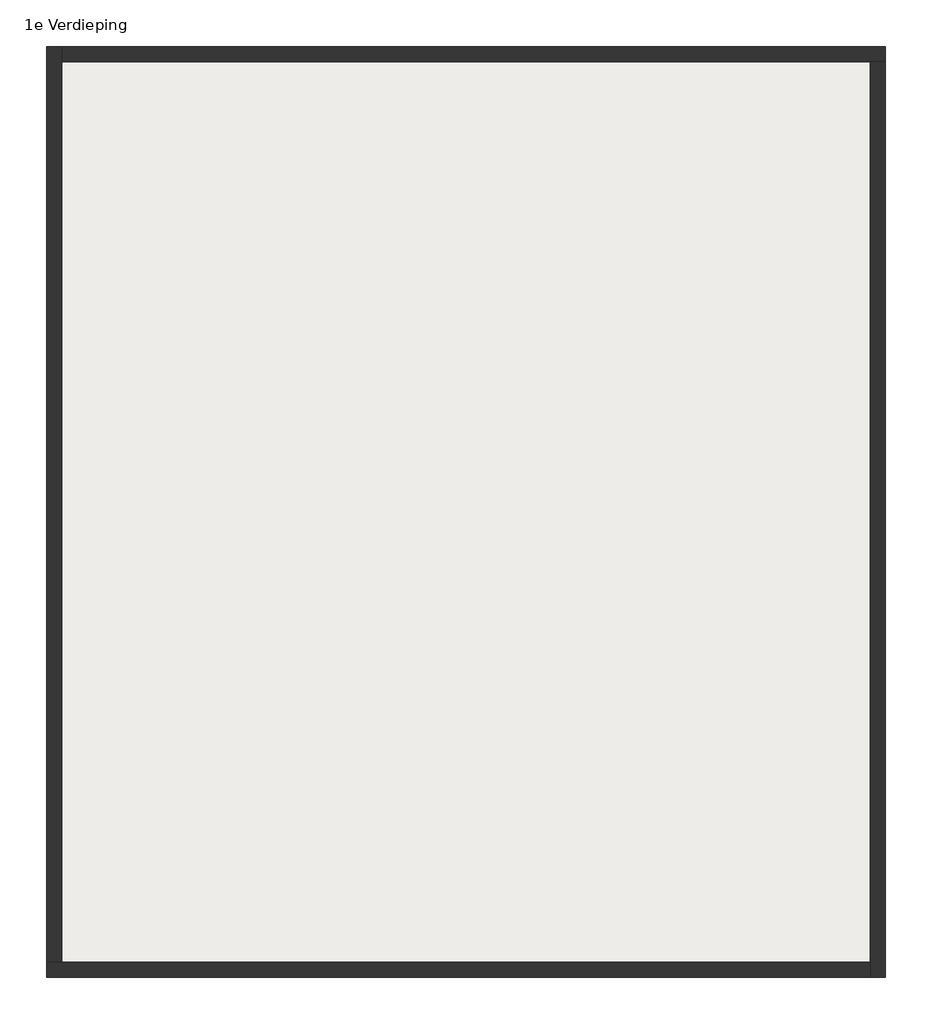
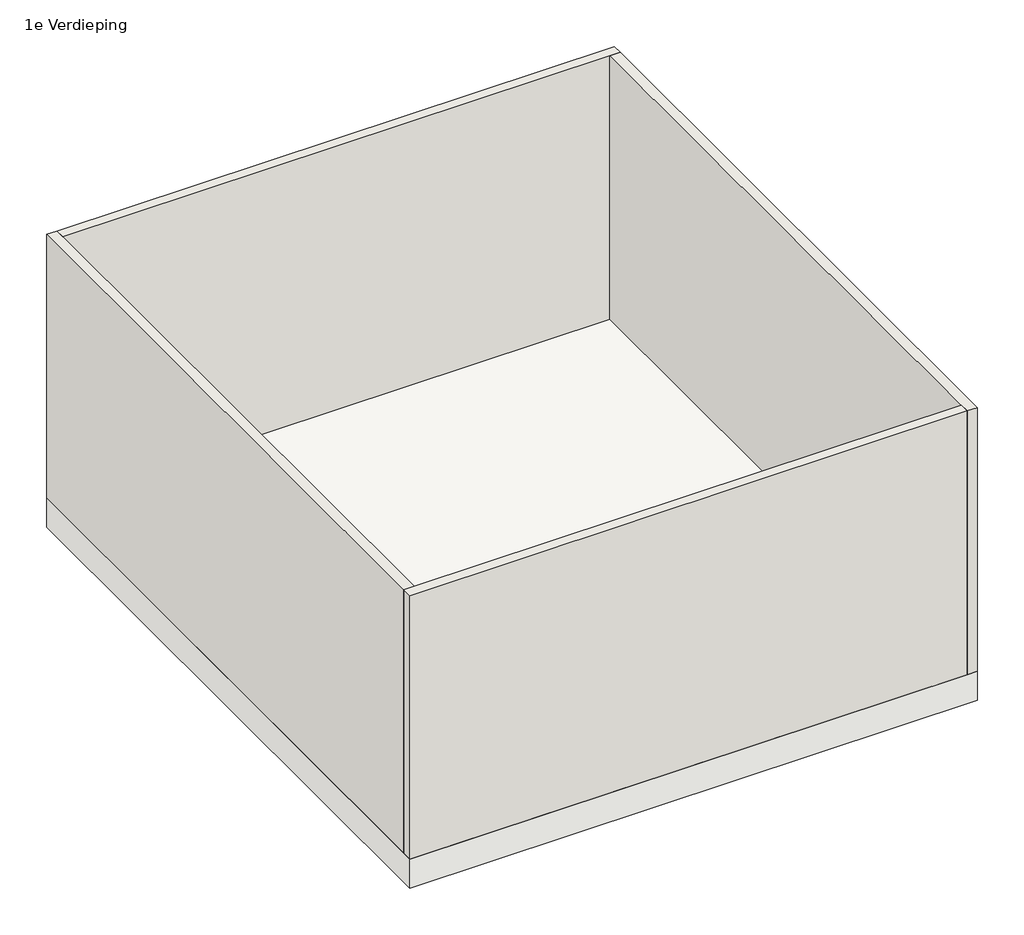
# One storey: 4 walls, 1 slab.
"""IFC4 building model written with IfcOpenShell, lengths in millimetres."""

import ifcopenshell
import ifcopenshell.guid

model = None  # the IFC model being written
_history = None  # IfcOwnerHistory: only IFC2X3 demands one
_inside = {}  # id of a spatial element -> (the spatial element, [elements in it])
_under = {}  # id of a project, library or spatial element -> (it, [spatial elements below it])
_declared = {}  # id of a project -> (the project, [libraries it declares])
_typed = {}  # id of a type object -> (the type object, [elements of that type])
_made_of = {}  # id of a material, layer set ... -> (it, [elements and type objects made of it])


def new_model(schema):
    """Start an empty IFC model of exactly this schema.

    Asked for "IFC4X3", IfcOpenShell would pick the latest addendum, in which some entities
    have other attributes; the version numbers below select the first issue.
    IFC2X3 requires an IfcOwnerHistory on every rooted entity: one is made here for all.
    """
    global model, _history
    if schema == "IFC4X3":
        model = ifcopenshell.file(schema_version=(4, 3, 0, 0))
    else:
        model = ifcopenshell.file(schema=schema)
    _inside.clear()
    _under.clear()
    _declared.clear()
    _typed.clear()
    _made_of.clear()
    _history = None
    if model.schema == "IFC2X3":
        org = make("IfcOrganization", Name="unknown")
        user = make(
            "IfcPersonAndOrganization",
            ThePerson=make("IfcPerson", FamilyName="unknown"),
            TheOrganization=org,
        )
        app = make(
            "IfcApplication",
            ApplicationDeveloper=org,
            Version="unknown",
            ApplicationFullName="unknown",
            ApplicationIdentifier="unknown",
        )
        _history = make(
            "IfcOwnerHistory",
            OwningUser=user,
            OwningApplication=app,
            ChangeAction="ADDED",
            CreationDate=0,
        )
    return model


def make(cls, **values):
    """One entity of the class cls with the attributes given. An attribute that is None is left unset."""
    return model.create_entity(
        cls, **{name: value for name, value in values.items() if value is not None}
    )


def rooted(cls, **values):
    """An entity with a GlobalId (a new one), such as an element, a storey or a relation."""
    return make(cls, GlobalId=ifcopenshell.guid.new(), OwnerHistory=_history, **values)


def si_unit(unit_type, name, prefix=None):
    """IfcSIUnit, for example si_unit("LENGTHUNIT", "METRE", prefix="MILLI")."""
    return make("IfcSIUnit", UnitType=unit_type, Prefix=prefix, Name=name)


def assignment(units):
    """IfcUnitAssignment: the units of a project."""
    return None if units is None else make("IfcUnitAssignment", Units=units)


def point(xyz):
    """IfcCartesianPoint."""
    return None if xyz is None else make("IfcCartesianPoint", Coordinates=xyz)


def direction(xyz):
    """IfcDirection."""
    return None if xyz is None else make("IfcDirection", DirectionRatios=xyz)


def frame(location, z_axis=None, x_axis=None):
    """IfcAxis2Placement3D, a coordinate frame: its origin and axes. An axis left out is left unset."""
    return make(
        "IfcAxis2Placement3D",
        Location=point(location),
        Axis=direction(z_axis),
        RefDirection=direction(x_axis),
    )


def origin():
    """The frame at (0, 0, 0) with its axes left unset."""
    return frame((0.0, 0.0, 0.0))


def place(relative_to, where):
    """IfcLocalPlacement: puts the frame where relative to a parent placement (None: the world)."""
    return make(
        "IfcLocalPlacement", PlacementRelTo=relative_to, RelativePlacement=where
    )


def context(
    kind, dimensions, precision=None, world=None, true_north=None, identifier=None
):
    """IfcGeometricRepresentationContext, for example the 3D "Model" context."""
    return make(
        "IfcGeometricRepresentationContext",
        ContextIdentifier=identifier,
        ContextType=kind,
        CoordinateSpaceDimension=dimensions,
        Precision=precision,
        WorldCoordinateSystem=world,
        TrueNorth=true_north,
    )


def project(units=None, contexts=None):
    """IfcProject with its units and contexts."""
    return rooted(
        "IfcProject",
        Name="project",
        RepresentationContexts=contexts,
        UnitsInContext=assignment(units),
    )


def spatial(cls, under=None, at=None, **own):
    """A site, building, storey or space (cls), placed at a placement, below another one or the project."""
    s = rooted(cls, ObjectPlacement=at, **own)
    if under is not None:
        _under.setdefault(under.id(), (under, []))[1].append(s)
    return s


def polyline(points):
    """IfcPolyline through the points."""
    return make("IfcPolyline", Points=[point(p) for p in points])


def outline(outer, holes=None, kind="AREA"):
    """IfcArbitraryClosedProfileDef: a profile drawn as a closed curve; with holes, ...WithVoids."""
    if holes is None:
        return make("IfcArbitraryClosedProfileDef", ProfileType=kind, OuterCurve=outer)
    return make(
        "IfcArbitraryProfileDefWithVoids",
        ProfileType=kind,
        OuterCurve=outer,
        InnerCurves=holes,
    )


def extrude(swept, where, along, depth):
    """IfcExtrudedAreaSolid: the profile swept, set in the frame where, extruded along a direction by depth."""
    return make(
        "IfcExtrudedAreaSolid",
        SweptArea=swept,
        Position=where,
        ExtrudedDirection=direction(along),
        Depth=depth,
    )


def faces_of(points, faces, orient=None, outer=None):
    """IfcFace entities. A face is a list of loops; a loop is a list of indices into points, from 0.

    orient and outer hold one flag for each loop. By default every Orientation is true, the
    first loop of a face is its IfcFaceOuterBound and the others are IfcFaceBound.
    """
    made = []
    for i, loops in enumerate(faces):
        bounds = []
        for j, loop in enumerate(loops):
            is_outer = j == 0 if outer is None else outer[i][j]
            bounds.append(
                make(
                    "IfcFaceOuterBound" if is_outer else "IfcFaceBound",
                    Bound=make("IfcPolyLoop", Polygon=[points[k] for k in loop]),
                    Orientation=True if orient is None else orient[i][j],
                )
            )
        made.append(make("IfcFace", Bounds=bounds))
    return made


def faceted_brep(points, faces, orient=None, outer=None, voids=None):
    """IfcFacetedBrep: a solid bounded by flat faces; with voids (closed shells), ...WithVoids."""
    shared = [point(p) for p in points]
    hull = make("IfcClosedShell", CfsFaces=faces_of(shared, faces, orient, outer))
    if voids is None:
        return make("IfcFacetedBrep", Outer=hull)
    return make(
        "IfcFacetedBrepWithVoids",
        Outer=hull,
        Voids=[
            make(cls, CfsFaces=faces_of(shared, fs, o, b)) for cls, fs, o, b in voids
        ],
    )


def shape(context_of_items, identifier, shape_type, items):
    """IfcShapeRepresentation: the items that make up one representation, for example the "Body"."""
    return make(
        "IfcShapeRepresentation",
        ContextOfItems=context_of_items,
        RepresentationIdentifier=identifier,
        RepresentationType=shape_type,
        Items=items,
    )


def made_of(thing, what):
    """Note that an element or type object is made of a material, layer set ...; save() writes the relation."""
    if what is not None:
        _made_of.setdefault(what.id(), (what, []))[1].append(thing)
    return thing


def element(
    cls,
    number,
    at=None,
    inside=None,
    cuts=None,
    type_object=None,
    material=None,
    context=None,
    identifier="Body",
    shape_type=None,
    held_by="IfcProductDefinitionShape",
    body=None,
    shapes=None,
    **own,
):
    """One element of the class cls, such as IfcWall. Its Tag is "e" and its number.

    at: its placement. inside: the storey or other place that contains it. cuts: it is an
    opening in that element (IfcRelVoidsElement). A single representation is given by context,
    identifier, shape_type and body (its items); several are given by shapes. held_by: the class
    of the entity that holds the representations. save() writes the other relations.
    """
    e = rooted(cls, Tag="e%d" % number, ObjectPlacement=at, **own)
    if body is not None:
        shapes = [shape(context, identifier, shape_type, body)]
    if shapes is not None:
        e.Representation = make(held_by, Representations=shapes)
    if inside is not None:
        _inside.setdefault(inside.id(), (inside, []))[1].append(e)
    if cuts is not None:
        rooted(
            "IfcRelVoidsElement", RelatingBuildingElement=cuts, RelatedOpeningElement=e
        )
    if type_object is not None:
        _typed.setdefault(type_object.id(), (type_object, []))[1].append(e)
    return made_of(e, material)


def aggregate(whole, parts):
    """IfcRelAggregates: a whole, such as a stair, and the parts it consists of."""
    return rooted("IfcRelAggregates", RelatingObject=whole, RelatedObjects=parts)


def save(model, path):
    """Write the relations noted so far, then the file.

    IfcRelAggregates (storeys below a building ...), IfcRelContainedInSpatialStructure (elements
    in a storey), IfcRelDefinesByType, IfcRelAssociatesMaterial and IfcRelDeclares: one each for
    every whole, place, type object, material and project.
    """
    for whole, parts in _under.values():
        aggregate(whole, parts)
    for where, things in _inside.values():
        rooted(
            "IfcRelContainedInSpatialStructure",
            RelatedElements=things,
            RelatingStructure=where,
        )
    for kind, things in _typed.values():
        rooted("IfcRelDefinesByType", RelatedObjects=things, RelatingType=kind)
    for what, things in _made_of.values():
        rooted("IfcRelAssociatesMaterial", RelatedObjects=things, RelatingMaterial=what)
    for by, libraries in _declared.values():
        rooted("IfcRelDeclares", RelatingContext=by, RelatedDefinitions=libraries)
    model.write(path)


model = new_model("IFC4")

# Units and contexts
model_context = context("Model", 3, world=origin())
ifc_project = project(units=[si_unit("LENGTHUNIT", "METRE", prefix="MILLI")], contexts=[model_context])

# Site, building, storey
site = spatial("IfcSite", under=ifc_project)
building = spatial("IfcBuilding", under=site)
storey = spatial("IfcBuildingStorey", under=building, Name="1e Verdieping", Elevation=3000.0)

# Slab
placement = place(None, origin())
element("IfcSlab", 1, ObjectType="Floor 1", at=placement, inside=storey, context=model_context, shape_type="SweptSolid", body=[
    extrude(outline(polyline([(5450.0, 6050.0), (5450.0, -50.0), (-50.0, -50.0), (-50.0, 6050.0), (5450.0, 6050.0)])), frame((0.0, 0.0, 2700.0), z_axis=(0.0, 0.0, 1.0), x_axis=(1.0, 0.0, 0.0)), (0.0, 0.0, 1.0), 300.0),
])

# Walls
element("IfcWall", 2, at=placement, inside=storey, context=model_context, shape_type="Brep", body=[
    faceted_brep([(-50.0, -50.0, 3000.0), (5350.0, -50.0, 3000.0), (5350.0, -50.0, 5700.0), (-50.0, -50.0, 5700.0), (-50.0, 50.0, 3000.0), (-50.0, 50.0, 5700.0), (50.0, 50.0, 5700.0), (5350.0, 50.0, 5700.0), (5350.0, 50.0, 3000.0), (50.0, 50.0, 3000.0)], [[[0, 1, 2, 3]], [[4, 5, 6, 7, 8, 9]], [[1, 0, 4, 9, 8]], [[0, 3, 5, 4]], [[2, 1, 8, 7]], [[3, 2, 7, 6, 5]]]),
])
element("IfcWall", 3, at=placement, inside=storey, context=model_context, shape_type="Brep", body=[
    faceted_brep([(-50.0, 6050.0, 3000.0), (-50.0, 50.0, 3000.0), (-50.0, 50.0, 5700.0), (-50.0, 6050.0, 5700.0), (50.0, 6050.0, 3000.0), (50.0, 6050.0, 5700.0), (50.0, 5950.0, 5700.0), (50.0, 50.0, 5700.0), (50.0, 50.0, 3000.0), (50.0, 5950.0, 3000.0)], [[[0, 1, 2, 3]], [[4, 5, 6, 7, 8, 9]], [[1, 0, 4, 9, 8]], [[2, 1, 8, 7]], [[0, 3, 5, 4]], [[3, 2, 7, 6, 5]]]),
])
element("IfcWall", 4, at=placement, inside=storey, context=model_context, shape_type="Brep", body=[
    faceted_brep([(5450.0, 6050.0, 3000.0), (50.0, 6050.0, 3000.0), (50.0, 6050.0, 5700.0), (5450.0, 6050.0, 5700.0), (5450.0, 5950.0, 3000.0), (5450.0, 5950.0, 5700.0), (5350.0, 5950.0, 5700.0), (50.0, 5950.0, 5700.0), (50.0, 5950.0, 3000.0), (5350.0, 5950.0, 3000.0)], [[[0, 1, 2, 3]], [[4, 5, 6, 7, 8, 9]], [[1, 0, 4, 9, 8]], [[2, 1, 8, 7]], [[0, 3, 5, 4]], [[3, 2, 7, 6, 5]]]),
])
element("IfcWall", 5, at=placement, inside=storey, context=model_context, shape_type="Brep", body=[
    faceted_brep([(5450.0, -50.0, 3000.0), (5450.0, 5950.0, 3000.0), (5450.0, 5950.0, 5700.0), (5450.0, -50.0, 5700.0), (5350.0, -50.0, 3000.0), (5350.0, -50.0, 5700.0), (5350.0, 50.0, 5700.0), (5350.0, 5950.0, 5700.0), (5350.0, 5950.0, 3000.0), (5350.0, 50.0, 3000.0)], [[[0, 1, 2, 3]], [[4, 5, 6, 7, 8, 9]], [[1, 0, 4, 9, 8]], [[0, 3, 5, 4]], [[2, 1, 8, 7]], [[3, 2, 7, 6, 5]]]),
])

save(model, "model.ifc")
